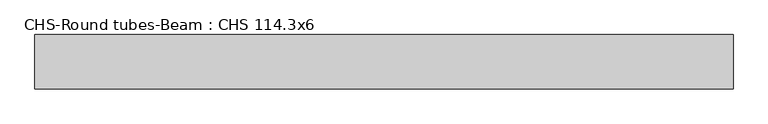
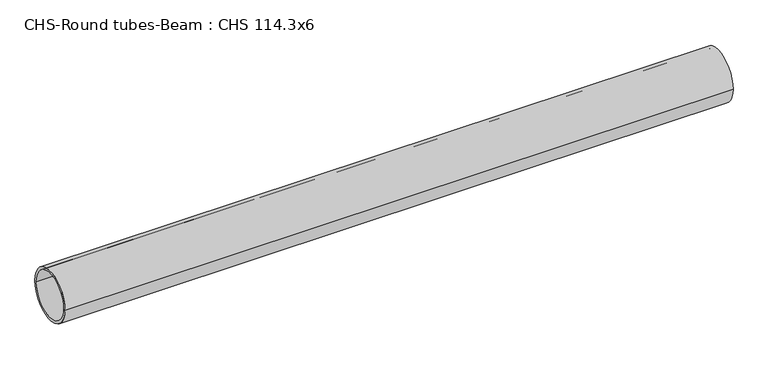
"""IFC4 building model written with IfcOpenShell, lengths in millimetres: beam geometry, CHS-Round tubes-Beam : CHS 114.3x6."""

from ifc_helpers import new_model, si_unit, point, frame, origin, origin_2d, place, context, project, spatial, circle_curve, trimmed, segment, composite_curve, outline, extrude, source, transform, mapped, element, save


def chs_round_tubes_beam_chs_114_3x6_95c3736a(model_context):
    return source(origin(), model_context, "Body", "SweptSolid", [
        extrude(outline(composite_curve([segment(trimmed(circle_curve(origin_2d(), 57.15), [point((57.15, 0.0))], [point((-57.15, 0.0))], False, "CARTESIAN"), True, "CONTINUOUS"), segment(trimmed(circle_curve(origin_2d(), 57.15), [point((-57.15, 0.0))], [point((57.15, 0.0))], False, "CARTESIAN"), True, "CONTINUOUS")], self_intersect=False), holes=[composite_curve([segment(trimmed(circle_curve(origin_2d(), 51.15), [point((51.15, 0.0))], [point((-51.15, 0.0))], True, "CARTESIAN"), True, "CONTINUOUS"), segment(trimmed(circle_curve(origin_2d(), 51.15), [point((-51.15, 0.0))], [point((51.15, 0.0))], True, "CARTESIAN"), True, "CONTINUOUS")], self_intersect=False)]), frame((-735.9066651, 0.0, 0.0), z_axis=(1.0, 0.0, 0.0), x_axis=(0.0, 1.0, 0.0)), (0.0, 0.0, 1.0), 1469.3965754),
    ])


if __name__ == "__main__":
    model = new_model("IFC4")
    model_context = context("Model", 3, world=origin())
    ifc_project = project(units=[si_unit("LENGTHUNIT", "METRE", prefix="MILLI")], contexts=[model_context])
    site = spatial("IfcSite", under=ifc_project)
    building = spatial("IfcBuilding", under=site)
    placement = place(None, origin())
    chs_round_tubes_beam_chs_114_3x6_shape = chs_round_tubes_beam_chs_114_3x6_95c3736a(model_context)
    element("IfcBeam", 1, ObjectType="CHS-Round tubes-Beam : CHS 114.3x6", at=placement, inside=building, context=model_context, shape_type="MappedRepresentation", body=[
        mapped(chs_round_tubes_beam_chs_114_3x6_shape, transform((0.0, 0.0, 0.0), x_axis=(1.0, 0.0, 0.0), y_axis=(0.0, 1.0, 0.0), z_axis=(0.0, 0.0, 1.0))),
    ])
    save(model, "model.ifc")
